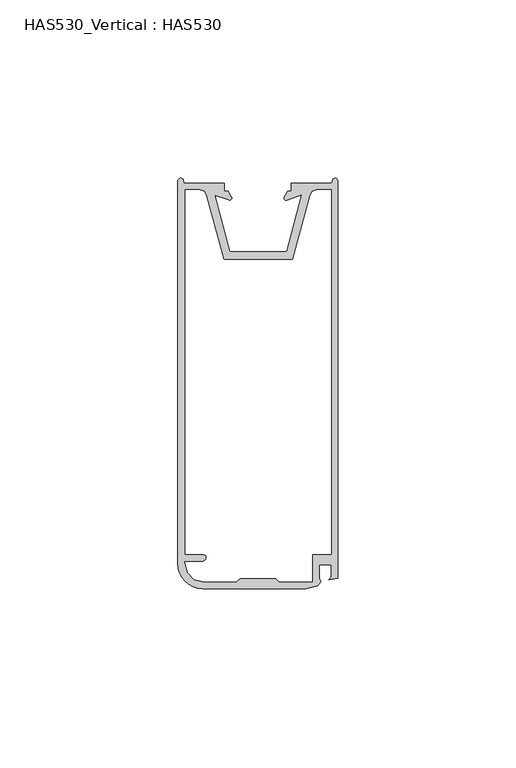
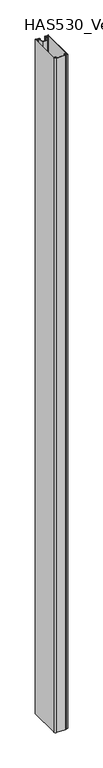
"""IFC4 building model written with IfcOpenShell, lengths in millimetres: beam geometry, HAS530_Vertical : HAS530."""

from ifc_helpers import new_model, si_unit, point, frame, frame_2d, origin, place, context, project, spatial, polyline, circle_curve, trimmed, segment, composite_curve, outline, extrude, source, transform, mapped, element, save


def has530_vertical_has530_de872ce1(model_context):
    return source(origin(), model_context, "Body", "SweptSolid", [
        extrude(outline(composite_curve([segment(polyline([(-20.8098592, 114.0), (-9.4014085, 114.0), (-9.4014085, 111.6760563), (-8.3450704, 111.6760563), (-7.4598302, 110.0826239)]), True, "CONTINUOUS"), segment(trimmed(circle_curve(frame_2d((-7.9494362, 109.8106205)), 0.5600892), [point((-7.4598302, 110.0826239))], [point((-8.126552, 109.2792732))], False, "CARTESIAN"), True, "CONTINUOUS"), segment(polyline([(-8.126552, 109.2792732), (-12.0996282, 110.6036319), (-7.9225352, 94.7746479), (8.1338028, 94.7746479), (12.3359345, 110.6985154), (8.1367027, 109.2164336)]), True, "CONTINUOUS"), segment(trimmed(circle_curve(frame_2d((7.9440488, 109.7622863)), 0.5788529), [point((8.1367027, 109.2164336))], [point((7.4380403, 110.0434021))], False, "CARTESIAN"), True, "CONTINUOUS"), segment(polyline([(7.4380403, 110.0434021), (8.3450704, 111.6760563), (9.4014085, 111.6760563), (9.4014085, 114.0), (20.8098592, 114.0), (21.0211268, 115.056338), (21.8661972, 115.4788732), (22.5, 114.8450704), (22.5, 2.9577465), (19.9647887, 2.5352113), (20.5985915, 3.1690141), (20.5985915, 6.7605634), (17.2183099, 6.7605634), (17.2183099, 2.9577465), (17.6408451, 1.9014085), (16.7957746, 0.8450704), (13.415493, 0.0), (-15.528169, 0.0)]), True, "CONTINUOUS"), segment(trimmed(circle_curve(frame_2d((-15.528169, 6.971831)), 6.971831), [point((-15.528169, 0.0))], [point((-22.5, 6.971831))], False, "CARTESIAN"), True, "CONTINUOUS"), segment(polyline([(-22.5, 6.971831), (-22.5, 114.8450704), (-21.8661972, 115.4788732), (-21.0211268, 115.056338), (-20.8098592, 114.0)]), True, "CONTINUOUS")], self_intersect=False), holes=[polyline([(15.3169014, 9.7183099), (20.5985915, 9.7183099), (20.5985915, 112.0985915), (16.584507, 112.0985915), (15.3169014, 111.6760563), (14.6830986, 110.6197183), (9.8239437, 92.4507042), (-9.6126761, 92.4507042), (-14.471831, 110.4084507), (-15.1056338, 111.6760563), (-16.3732394, 112.0985915), (-20.3873239, 112.0985915), (-20.3873239, 9.7183099), (-15.528169, 9.7183099), (-14.471831, 9.2957746), (-14.471831, 8.2394366), (-15.528169, 7.6056338), (-20.5457746, 7.6056338), (-19.7535211, 4.4366197), (-17.8521127, 2.5352113), (-15.528169, 1.9014085), (-6.0211268, 1.9014085), (-4.9647887, 2.9577465), (4.9647887, 2.9577465), (6.0211268, 1.9014085), (15.3169014, 1.9014085), (15.3169014, 9.7183099)])]), frame((0.0, 0.0, -1200.0), z_axis=(0.0, 0.0, 1.0), x_axis=(1.0, 0.0, 0.0)), (0.0, 0.0, 1.0), 2400.0),
    ])


if __name__ == "__main__":
    model = new_model("IFC4")
    model_context = context("Model", 3, world=origin())
    ifc_project = project(units=[si_unit("LENGTHUNIT", "METRE", prefix="MILLI")], contexts=[model_context])
    site = spatial("IfcSite", under=ifc_project)
    building = spatial("IfcBuilding", under=site)
    placement = place(None, origin())
    has530_vertical_has530_shape = has530_vertical_has530_de872ce1(model_context)
    element("IfcBeam", 1, ObjectType="HAS530_Vertical : HAS530", at=placement, inside=building, context=model_context, shape_type="MappedRepresentation", body=[
        mapped(has530_vertical_has530_shape, transform((0.0, 0.0, 0.0), x_axis=(1.0, 0.0, 0.0), y_axis=(0.0, 1.0, 0.0), z_axis=(0.0, 0.0, 1.0))),
    ])
    save(model, "model.ifc")
